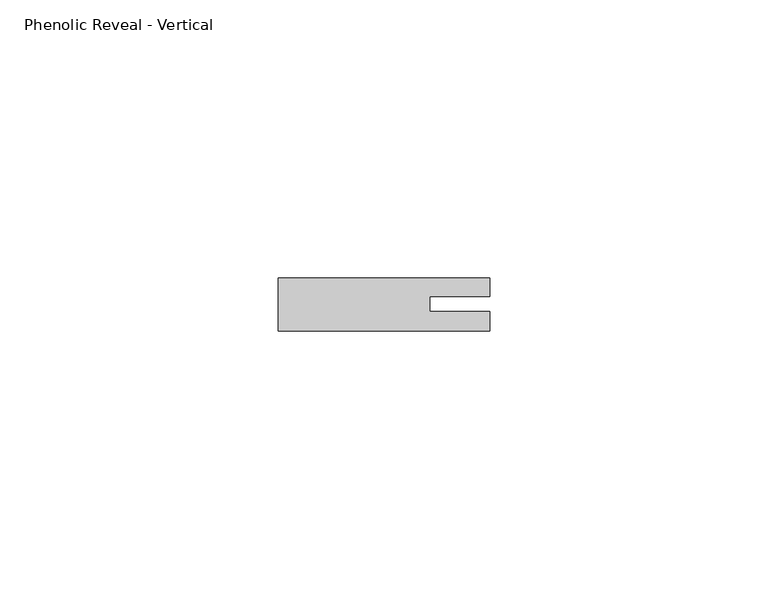
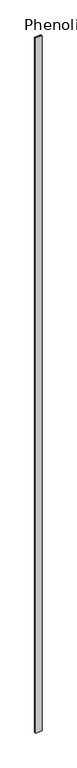
"""IFC4 building model written with IfcOpenShell, lengths in millimetres: proxy geometry, Phenolic Reveal - Vertical."""

from ifc_helpers import new_model, si_unit, origin, origin_with_axes, place, context, project, spatial, polyline, outline, extrude, source, transform, mapped, element, save


def phenolic_reveal_vertical_b3a3a79e(model_context):
    return source(origin(), model_context, "Body", "SweptSolid", [
        extrude(outline(polyline([(38.1, -9.525), (0.0, -9.525), (0.0, 0.0), (38.1, 0.0), (38.1, -3.3757545), (27.2591015, -3.3757545), (27.2591015, -6.0765851), (38.1, -6.0765851), (38.1, -9.525)])), origin_with_axes(), (0.0, 0.0, 1.0), 4314.825),
    ])


if __name__ == "__main__":
    model = new_model("IFC4")
    model_context = context("Model", 3, world=origin())
    ifc_project = project(units=[si_unit("LENGTHUNIT", "METRE", prefix="MILLI")], contexts=[model_context])
    site = spatial("IfcSite", under=ifc_project)
    building = spatial("IfcBuilding", under=site)
    placement = place(None, origin())
    phenolic_reveal_vertical_shape = phenolic_reveal_vertical_b3a3a79e(model_context)
    element("IfcBuildingElementProxy", 1, Name="Phenolic Reveal - Vertical", ObjectType="Phenolic Reveal - Vertical", at=placement, inside=building, context=model_context, shape_type="MappedRepresentation", body=[
        mapped(phenolic_reveal_vertical_shape, transform((0.0, 0.0, 0.0), x_axis=(1.0, 0.0, 0.0), y_axis=(0.0, 1.0, 0.0), z_axis=(0.0, 0.0, 1.0))),
    ])
    save(model, "model.ifc")
